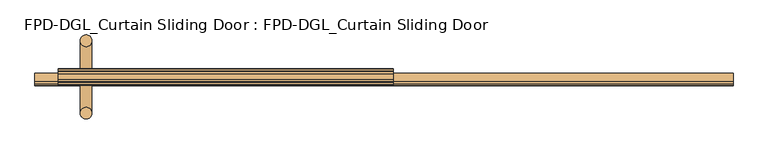
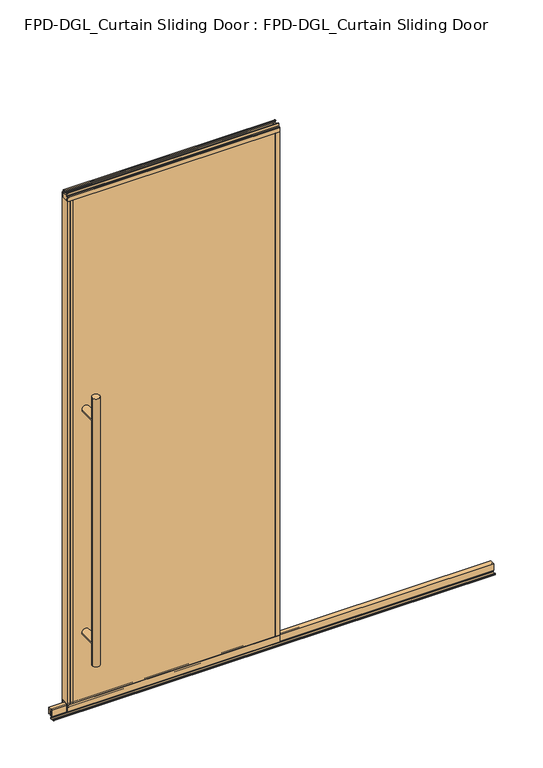
"""IFC4 building model written with IfcOpenShell, lengths in millimetres: door geometry, FPD-DGL_Curtain Sliding Door : FPD-DGL_Curtain Sliding Door."""

import ifcopenshell
import ifcopenshell.guid

model = None  # the IFC model being written
_history = None  # IfcOwnerHistory: only IFC2X3 demands one
_inside = {}  # id of a spatial element -> (the spatial element, [elements in it])
_under = {}  # id of a project, library or spatial element -> (it, [spatial elements below it])
_declared = {}  # id of a project -> (the project, [libraries it declares])
_typed = {}  # id of a type object -> (the type object, [elements of that type])
_made_of = {}  # id of a material, layer set ... -> (it, [elements and type objects made of it])


def new_model(schema):
    """Start an empty IFC model of exactly this schema.

    Asked for "IFC4X3", IfcOpenShell would pick the latest addendum, in which some entities
    have other attributes; the version numbers below select the first issue.
    IFC2X3 requires an IfcOwnerHistory on every rooted entity: one is made here for all.
    """
    global model, _history
    if schema == "IFC4X3":
        model = ifcopenshell.file(schema_version=(4, 3, 0, 0))
    else:
        model = ifcopenshell.file(schema=schema)
    _inside.clear()
    _under.clear()
    _declared.clear()
    _typed.clear()
    _made_of.clear()
    _history = None
    if model.schema == "IFC2X3":
        org = make("IfcOrganization", Name="unknown")
        user = make(
            "IfcPersonAndOrganization",
            ThePerson=make("IfcPerson", FamilyName="unknown"),
            TheOrganization=org,
        )
        app = make(
            "IfcApplication",
            ApplicationDeveloper=org,
            Version="unknown",
            ApplicationFullName="unknown",
            ApplicationIdentifier="unknown",
        )
        _history = make(
            "IfcOwnerHistory",
            OwningUser=user,
            OwningApplication=app,
            ChangeAction="ADDED",
            CreationDate=0,
        )
    return model


def make(cls, **values):
    """One entity of the class cls with the attributes given. An attribute that is None is left unset."""
    return model.create_entity(
        cls, **{name: value for name, value in values.items() if value is not None}
    )


def rooted(cls, **values):
    """An entity with a GlobalId (a new one), such as an element, a storey or a relation."""
    return make(cls, GlobalId=ifcopenshell.guid.new(), OwnerHistory=_history, **values)


def si_unit(unit_type, name, prefix=None):
    """IfcSIUnit, for example si_unit("LENGTHUNIT", "METRE", prefix="MILLI")."""
    return make("IfcSIUnit", UnitType=unit_type, Prefix=prefix, Name=name)


def assignment(units):
    """IfcUnitAssignment: the units of a project."""
    return None if units is None else make("IfcUnitAssignment", Units=units)


def point(xyz):
    """IfcCartesianPoint."""
    return None if xyz is None else make("IfcCartesianPoint", Coordinates=xyz)


def direction(xyz):
    """IfcDirection."""
    return None if xyz is None else make("IfcDirection", DirectionRatios=xyz)


def frame(location, z_axis=None, x_axis=None):
    """IfcAxis2Placement3D, a coordinate frame: its origin and axes. An axis left out is left unset."""
    return make(
        "IfcAxis2Placement3D",
        Location=point(location),
        Axis=direction(z_axis),
        RefDirection=direction(x_axis),
    )


def frame_2d(location, x_axis=None):
    """IfcAxis2Placement2D, a coordinate frame in the plane: its origin and x axis."""
    return make(
        "IfcAxis2Placement2D", Location=point(location), RefDirection=direction(x_axis)
    )


def origin():
    """The frame at (0, 0, 0) with its axes left unset."""
    return frame((0.0, 0.0, 0.0))


def place(relative_to, where):
    """IfcLocalPlacement: puts the frame where relative to a parent placement (None: the world)."""
    return make(
        "IfcLocalPlacement", PlacementRelTo=relative_to, RelativePlacement=where
    )


def context(
    kind, dimensions, precision=None, world=None, true_north=None, identifier=None
):
    """IfcGeometricRepresentationContext, for example the 3D "Model" context."""
    return make(
        "IfcGeometricRepresentationContext",
        ContextIdentifier=identifier,
        ContextType=kind,
        CoordinateSpaceDimension=dimensions,
        Precision=precision,
        WorldCoordinateSystem=world,
        TrueNorth=true_north,
    )


def project(units=None, contexts=None):
    """IfcProject with its units and contexts."""
    return rooted(
        "IfcProject",
        Name="project",
        RepresentationContexts=contexts,
        UnitsInContext=assignment(units),
    )


def spatial(cls, under=None, at=None, **own):
    """A site, building, storey or space (cls), placed at a placement, below another one or the project."""
    s = rooted(cls, ObjectPlacement=at, **own)
    if under is not None:
        _under.setdefault(under.id(), (under, []))[1].append(s)
    return s


def polyline(points):
    """IfcPolyline through the points."""
    return make("IfcPolyline", Points=[point(p) for p in points])


def circle_curve(where, radius):
    """IfcCircle in the frame where."""
    return make("IfcCircle", Position=where, Radius=radius)


def ellipse_curve(where, semi_axis1, semi_axis2):
    """IfcEllipse in the frame where."""
    return make(
        "IfcEllipse", Position=where, SemiAxis1=semi_axis1, SemiAxis2=semi_axis2
    )


def trimmed(basis, trim1, trim2, sense, master):
    """IfcTrimmedCurve: the piece of a basis curve between two trims."""
    return make(
        "IfcTrimmedCurve",
        BasisCurve=basis,
        Trim1=trim1,
        Trim2=trim2,
        SenseAgreement=sense,
        MasterRepresentation=master,
    )


def segment(curve, same_sense, transition):
    """IfcCompositeCurveSegment."""
    return make(
        "IfcCompositeCurveSegment",
        Transition=transition,
        SameSense=same_sense,
        ParentCurve=curve,
    )


def composite_curve(segments, self_intersect=None):
    """IfcCompositeCurve: segments joined end to end."""
    return make("IfcCompositeCurve", Segments=segments, SelfIntersect=self_intersect)


def outline(outer, holes=None, kind="AREA"):
    """IfcArbitraryClosedProfileDef: a profile drawn as a closed curve; with holes, ...WithVoids."""
    if holes is None:
        return make("IfcArbitraryClosedProfileDef", ProfileType=kind, OuterCurve=outer)
    return make(
        "IfcArbitraryProfileDefWithVoids",
        ProfileType=kind,
        OuterCurve=outer,
        InnerCurves=holes,
    )


def extrude(swept, where, along, depth):
    """IfcExtrudedAreaSolid: the profile swept, set in the frame where, extruded along a direction by depth."""
    return make(
        "IfcExtrudedAreaSolid",
        SweptArea=swept,
        Position=where,
        ExtrudedDirection=direction(along),
        Depth=depth,
    )


def shape(context_of_items, identifier, shape_type, items):
    """IfcShapeRepresentation: the items that make up one representation, for example the "Body"."""
    return make(
        "IfcShapeRepresentation",
        ContextOfItems=context_of_items,
        RepresentationIdentifier=identifier,
        RepresentationType=shape_type,
        Items=items,
    )


def source(mapping_origin, context_of_items, identifier, shape_type, items):
    """IfcRepresentationMap: a shape defined once, which mapped items show again and again."""
    return make(
        "IfcRepresentationMap",
        MappingOrigin=mapping_origin,
        MappedRepresentation=shape(context_of_items, identifier, shape_type, items),
    )


def transform(
    local_origin,
    x_axis=None,
    y_axis=None,
    z_axis=None,
    scale=None,
    scale2=None,
    scale3=None,
    uniform=True,
):
    """IfcCartesianTransformationOperator3D, or its non-uniform kind. x_axis, y_axis, z_axis: its Axis1, 2, 3."""
    if uniform:
        return make(
            "IfcCartesianTransformationOperator3D",
            Axis1=direction(x_axis),
            Axis2=direction(y_axis),
            LocalOrigin=point(local_origin),
            Scale=scale,
            Axis3=direction(z_axis),
        )
    return make(
        "IfcCartesianTransformationOperator3DnonUniform",
        Axis1=direction(x_axis),
        Axis2=direction(y_axis),
        LocalOrigin=point(local_origin),
        Scale=scale,
        Axis3=direction(z_axis),
        Scale2=scale2,
        Scale3=scale3,
    )


def mapped(mapping_source, mapping_target):
    """IfcMappedItem: shows the shape of a source again, moved by a transform."""
    return make(
        "IfcMappedItem", MappingSource=mapping_source, MappingTarget=mapping_target
    )


def made_of(thing, what):
    """Note that an element or type object is made of a material, layer set ...; save() writes the relation."""
    if what is not None:
        _made_of.setdefault(what.id(), (what, []))[1].append(thing)
    return thing


def element(
    cls,
    number,
    at=None,
    inside=None,
    cuts=None,
    type_object=None,
    material=None,
    context=None,
    identifier="Body",
    shape_type=None,
    held_by="IfcProductDefinitionShape",
    body=None,
    shapes=None,
    **own,
):
    """One element of the class cls, such as IfcWall. Its Tag is "e" and its number.

    at: its placement. inside: the storey or other place that contains it. cuts: it is an
    opening in that element (IfcRelVoidsElement). A single representation is given by context,
    identifier, shape_type and body (its items); several are given by shapes. held_by: the class
    of the entity that holds the representations. save() writes the other relations.
    """
    e = rooted(cls, Tag="e%d" % number, ObjectPlacement=at, **own)
    if body is not None:
        shapes = [shape(context, identifier, shape_type, body)]
    if shapes is not None:
        e.Representation = make(held_by, Representations=shapes)
    if inside is not None:
        _inside.setdefault(inside.id(), (inside, []))[1].append(e)
    if cuts is not None:
        rooted(
            "IfcRelVoidsElement", RelatingBuildingElement=cuts, RelatedOpeningElement=e
        )
    if type_object is not None:
        _typed.setdefault(type_object.id(), (type_object, []))[1].append(e)
    return made_of(e, material)


def aggregate(whole, parts):
    """IfcRelAggregates: a whole, such as a stair, and the parts it consists of."""
    return rooted("IfcRelAggregates", RelatingObject=whole, RelatedObjects=parts)


def save(model, path):
    """Write the relations noted so far, then the file.

    IfcRelAggregates (storeys below a building ...), IfcRelContainedInSpatialStructure (elements
    in a storey), IfcRelDefinesByType, IfcRelAssociatesMaterial and IfcRelDeclares: one each for
    every whole, place, type object, material and project.
    """
    for whole, parts in _under.values():
        aggregate(whole, parts)
    for where, things in _inside.values():
        rooted(
            "IfcRelContainedInSpatialStructure",
            RelatedElements=things,
            RelatingStructure=where,
        )
    for kind, things in _typed.values():
        rooted("IfcRelDefinesByType", RelatedObjects=things, RelatingType=kind)
    for what, things in _made_of.values():
        rooted("IfcRelAssociatesMaterial", RelatedObjects=things, RelatingMaterial=what)
    for by, libraries in _declared.values():
        rooted("IfcRelDeclares", RelatingContext=by, RelatedDefinitions=libraries)
    model.write(path)


def plane_surface(at):
    """IfcPlane: the flat surface through the origin of the frame at, square to its z axis."""
    return make("IfcPlane", Position=at)


def cylinder_surface(at, radius):
    """IfcCylindricalSurface: all points at the distance radius from the z axis of the frame at."""
    return make("IfcCylindricalSurface", Position=at, Radius=radius)


def advanced_brep(points, edges, surfaces, faces):
    """IfcAdvancedBrep: a solid bounded by faces that lie on surfaces and meet in shared edges.

    An edge is (start, end): straight between two places in points (the first is 0);
    or (start, end, curve); or (start, end, curve, False) where it runs against its curve.
    A face is (place in surfaces, loops), or (place, loops, False) where it looks against
    its surface's normal. A loop lists edges by number (the first is 1), with a minus sign
    where the edge is run from its end to its start. The first loop is the outer one.
    """
    corners = [point(p) for p in points]
    vertices = [make("IfcVertexPoint", VertexGeometry=c) for c in corners]
    made = []
    for start, end, *more in edges:
        made.append(
            make(
                "IfcEdgeCurve",
                EdgeStart=vertices[start],
                EdgeEnd=vertices[end],
                EdgeGeometry=more[0] if more else make("IfcPolyline", Points=[corners[start], corners[end]]),
                SameSense=more[1] if len(more) > 1 else True,
            )
        )
    hull = []
    for where, loops, *sense in faces:
        bounds = []
        for j, loop in enumerate(loops):
            ring = [make("IfcOrientedEdge", EdgeElement=made[abs(k) - 1], Orientation=k > 0) for k in loop]
            bounds.append(
                make(
                    "IfcFaceOuterBound" if j == 0 else "IfcFaceBound",
                    Bound=make("IfcEdgeLoop", EdgeList=ring),
                    Orientation=True,
                )
            )
        hull.append(make("IfcAdvancedFace", Bounds=bounds, FaceSurface=surfaces[where], SameSense=sense[0] if sense else True))
    return make("IfcAdvancedBrep", Outer=make("IfcClosedShell", CfsFaces=hull))


def fpd_dgl_curtain_sliding_door_fpd_dgl_curtain_sliding_door_362d67b7(model_context):
    return source(origin(), model_context, "Body", "SolidModel", [
        advanced_brep(
        [(-364.33125, -35.128049, 1473.2), (-396.08125, -35.128049, 1473.2), (-364.33125, 162.0969566, 1473.2), (-396.08125, 162.0969566, 1473.2), (-364.33125, -35.128049, 254.0), (-396.08125, -35.128049, 254.0), (-364.33125, 162.0969566, 254.0), (-396.08125, 162.0969566, 254.0), (-364.33125, -35.128049, 1371.6), (-396.08125, -35.128049, 1371.6), (-396.08125, -35.128049, 355.6), (-364.33125, -35.128049, 355.6), (-364.33125, 162.0969566, 1371.6), (-364.33125, 162.0969566, 355.6), (-396.08125, 162.0969566, 355.6), (-396.08125, 162.0969566, 1371.6)],
        [
            (0, 1, circle_curve(frame((-380.20625, -35.128049, 1473.2), z_axis=(0.0, 0.0, 1.0), x_axis=(-1.0, 0.0, 0.0)), 15.875)),
            (1, 0, circle_curve(frame((-380.20625, -35.128049, 1473.2), z_axis=(0.0, 0.0, 1.0), x_axis=(-1.0, 0.0, 0.0)), 15.875)),
            (2, 3, circle_curve(frame((-380.20625, 162.0969566, 1473.2), z_axis=(0.0, 0.0, 1.0), x_axis=(-1.0, 0.0, 0.0)), 15.875)),
            (3, 2, circle_curve(frame((-380.20625, 162.0969566, 1473.2), z_axis=(0.0, 0.0, 1.0), x_axis=(-1.0, 0.0, 0.0)), 15.875)),
            (4, 5, circle_curve(frame((-380.20625, -35.128049, 254.0), z_axis=(0.0, 0.0, -1.0), x_axis=(-1.0, 0.0, 0.0)), 15.875)),
            (5, 4, circle_curve(frame((-380.20625, -35.128049, 254.0), z_axis=(0.0, 0.0, -1.0), x_axis=(-1.0, 0.0, 0.0)), 15.875)),
            (6, 7, circle_curve(frame((-380.20625, 162.0969566, 254.0), z_axis=(0.0, 0.0, -1.0), x_axis=(-1.0, 0.0, 0.0)), 15.875)),
            (7, 6, circle_curve(frame((-380.20625, 162.0969566, 254.0), z_axis=(0.0, 0.0, -1.0), x_axis=(-1.0, 0.0, 0.0)), 15.875)),
            (0, 8),
            (8, 9, ellipse_curve(frame((-380.20625, -35.128049, 1371.6), z_axis=(0.0, -0.7071067811865525, 0.7071067811865427), x_axis=(0.0, 0.7071067811865427, 0.7071067811865523)), 22.4506403, 15.875)),
            (9, 1),
            (5, 10),
            (10, 11, ellipse_curve(frame((-380.20625, -35.128049, 355.6), z_axis=(0.0, -0.7071067811865525, -0.7071067811865427), x_axis=(0.0, -0.7071067811865427, 0.7071067811865523)), 22.4506403, 15.875)),
            (11, 4),
            (8, 11),
            (11, 10, ellipse_curve(frame((-380.20625, -35.128049, 355.6), z_axis=(0.0, -0.7071067811865427, 0.7071067811865525), x_axis=(0.0, 0.7071067811865525, 0.7071067811865425)), 22.4506403, 15.875)),
            (10, 9),
            (9, 8, ellipse_curve(frame((-380.20625, -35.128049, 1371.6), z_axis=(0.0, -0.7071067811865427, -0.7071067811865525), x_axis=(0.0, -0.7071067811865525, 0.7071067811865425)), 22.4506403, 15.875)),
            (2, 12),
            (12, 13),
            (13, 6),
            (7, 14),
            (14, 15),
            (15, 3),
            (15, 12, ellipse_curve(frame((-380.20625, 162.0969566, 1371.6), z_axis=(0.0, 0.7071067811865427, 0.7071067811865525), x_axis=(0.0, -0.7071067811865525, 0.7071067811865425)), 22.4506403, 15.875)),
            (13, 14, ellipse_curve(frame((-380.20625, 162.0969566, 355.6), z_axis=(0.0, 0.7071067811865427, -0.7071067811865525), x_axis=(0.0, 0.7071067811865525, 0.7071067811865425)), 22.4506403, 15.875)),
            (12, 15, ellipse_curve(frame((-380.20625, 162.0969566, 1371.6), z_axis=(0.0, 0.7071067811865525, -0.7071067811865427), x_axis=(0.0, 0.7071067811865427, 0.7071067811865523)), 22.4506403, 15.875)),
            (14, 13, ellipse_curve(frame((-380.20625, 162.0969566, 355.6), z_axis=(0.0, 0.7071067811865525, 0.7071067811865427), x_axis=(0.0, -0.7071067811865427, 0.7071067811865523)), 22.4506403, 15.875)),
            (9, 15),
            (12, 8),
            (10, 14),
            (13, 11),
        ],
        [
            plane_surface(frame((-281.0988493, 63.5, 1473.2), z_axis=(0.0, 0.0, 1.0), x_axis=(0.0, -1.0, 0.0))),
            plane_surface(frame((-281.0988493, 63.5, 254.0), z_axis=(0.0, 0.0, -1.0), x_axis=(0.0, -1.0, 0.0))),
            cylinder_surface(frame((-380.20625, -35.128049, 1473.2), z_axis=(0.0, 0.0, 1.0), x_axis=(-1.0, 0.0, 0.0)), 15.875),
            cylinder_surface(frame((-380.20625, 162.0969566, 1473.2), z_axis=(0.0, 0.0, 1.0), x_axis=(-1.0, 0.0, 0.0)), 15.875),
            cylinder_surface(frame((-380.20625, 162.0969566, 1371.6), z_axis=(0.0, -1.0, 0.0), x_axis=(1.0, 0.0, 0.0)), 15.875),
            cylinder_surface(frame((-380.20625, 63.5, 355.6), z_axis=(0.0, -1.0, 0.0), x_axis=(1.0, 0.0, 0.0)), 15.875),
        ],
        [
            (0, [[1, 2]]),
            (0, [[3, 4]]),
            (1, [[5, 6]]),
            (1, [[7, 8]]),
            (2, [[-1, 9, 10, 11]]),
            (2, [[-6, 12, 13, 14]]),
            (2, [[15, 16, 17, 18]]),
            (2, [[-2, -11, -17, -12, -5, -14, -15, -9]]),
            (3, [[-3, 19, 20, 21, -8, 22, 23, 24]]),
            (3, [[-4, -24, 25, -19]]),
            (3, [[-7, -21, 26, -22]]),
            (3, [[-20, 27, -23, 28]]),
            (4, [[29, -27, 30, -18]]),
            (4, [[-29, -10, -30, -25]]),
            (5, [[31, -26, 32, -13]]),
            (5, [[-31, -16, -32, -28]]),
        ],
    ),
        extrude(outline(composite_curve([segment(trimmed(circle_curve(frame_2d((58.5185794, 1.1714386)), 1.1684), [point((59.6869794, 1.1714386))], [point((58.5185794, 0.0030387))], False, "CARTESIAN"), True, "CONTINUOUS"), segment(polyline([(58.5185794, 0.0030387), (40.8401797, 0.0030387)]), True, "CONTINUOUS"), segment(trimmed(circle_curve(frame_2d((40.8401797, 1.1714386)), 1.1684), [point((40.8401797, 0.0030387))], [point((39.6717797, 1.1714386))], False, "CARTESIAN"), True, "CONTINUOUS"), segment(polyline([(39.6717797, 1.1714386), (39.6717797, 4.0416386)]), True, "CONTINUOUS"), segment(trimmed(circle_curve(frame_2d((40.8401797, 4.0416386)), 1.1684), [point((39.6717797, 4.0416386))], [point((40.8401797, 5.2100386))], False, "CARTESIAN"), True, "CONTINUOUS"), segment(polyline([(40.8401797, 5.2100386), (43.4288569, 5.2100386), (43.4288569, 4.4232339), (40.4337797, 4.4232339), (40.4337797, 0.7650387), (58.9122794, 0.7650387), (58.9122794, 4.3138948), (56.2262294, 4.3138948), (56.2262294, 5.1338386), (58.9336188, 5.1338386)]), True, "CONTINUOUS"), segment(trimmed(circle_curve(frame_2d((58.5185794, 4.0416386)), 1.1684), [point((58.9336188, 5.1338386))], [point((59.6869794, 4.0416386))], False, "CARTESIAN"), True, "CONTINUOUS"), segment(polyline([(59.6869794, 4.0416386), (59.6869794, 1.1714386)]), True, "CONTINUOUS")], self_intersect=False)), frame((-519.90625, 0.0, 0.0), z_axis=(1.0, 0.0, 0.0), x_axis=(0.0, 1.0, 0.0)), (0.0, 0.0, 1.0), 1903.4125),
        extrude(outline(composite_curve([segment(polyline([(74.4646139, 41.6030387), (74.4646139, 11.6839647), (73.4646139, 11.6839647), (73.4646139, 33.5017657), (72.0747815, 33.5017657), (72.0747815, 34.3040626), (73.4646139, 34.3040626), (73.4646139, 35.6040627), (62.6646138, 35.6040627), (62.6646138, 34.3040626), (64.0544462, 34.3040626), (64.0544462, 33.5017657), (62.6646138, 33.5017657), (62.6646138, 11.6839647), (61.0646135, 11.6839647), (61.0646135, 39.1243868)]), True, "CONTINUOUS"), segment(trimmed(circle_curve(frame_2d((60.0857402, 39.1243868)), 0.9788733), [point((61.0646135, 39.1243868))], [point((60.0857402, 40.1032601))], True, "CARTESIAN"), True, "CONTINUOUS"), segment(polyline([(60.0857402, 40.1032601), (54.9969627, 40.1032601)]), True, "CONTINUOUS"), segment(trimmed(circle_curve(frame_2d((54.9969627, 39.1709995)), 0.9322606), [point((54.9969627, 40.1032601))], [point((54.064702, 39.1709995))], True, "CARTESIAN"), True, "CONTINUOUS"), segment(polyline([(54.064702, 39.1709995), (54.064702, 11.6839647), (52.5646141, 11.6839647), (52.5646141, 41.6030387), (74.4646139, 41.6030387)]), True, "CONTINUOUS")], self_intersect=False)), frame((-519.90625, 0.0, 0.0), z_axis=(1.0, 0.0, 0.0), x_axis=(0.0, 1.0, 0.0)), (0.0, 0.0, 1.0), 1903.4125),
        extrude(outline(composite_curve([segment(polyline([(49.1758097, 48.6471016), (77.8241903, 48.6471016), (77.8241903, 47.6299627), (76.4571771, 47.6299627), (76.4571771, 41.3613764)]), True, "CONTINUOUS"), segment(trimmed(circle_curve(frame_2d((78.772652, 41.3613764)), 2.3154748), [point((76.4571771, 41.3613764))], [point((78.772652, 39.0459016))], True, "CARTESIAN"), True, "CONTINUOUS"), segment(polyline([(78.772652, 39.0459016), (83.7603754, 39.0522555)]), True, "CONTINUOUS"), segment(trimmed(circle_curve(frame_2d((83.662177, 39.8079016)), 0.762), [point((83.7603754, 39.0522555))], [point((84.424177, 39.8079016))], True, "CARTESIAN"), True, "CONTINUOUS"), segment(polyline([(84.424177, 39.8079016), (84.424177, 48.6471016), (85.7241745, 48.6471016), (85.7241745, 19.0059017), (76.6027622, 19.0059017), (76.6027622, 15.875), (74.6984721, 15.875), (74.6984721, 47.0470737), (52.3015279, 47.0470737), (52.3015279, 15.875), (50.3972378, 15.875), (50.3972378, 19.0059017), (41.2758255, 19.0059017), (41.2758255, 48.6471016), (42.575823, 48.6471016), (42.575823, 39.8079016)]), True, "CONTINUOUS"), segment(trimmed(circle_curve(frame_2d((43.337823, 39.8079016)), 0.762), [point((42.575823, 39.8079016))], [point((43.2396246, 39.0522555))], True, "CARTESIAN"), True, "CONTINUOUS"), segment(polyline([(43.2396246, 39.0522555), (48.227348, 39.0459016)]), True, "CONTINUOUS"), segment(trimmed(circle_curve(frame_2d((48.227348, 41.3613764)), 2.3154748), [point((48.227348, 39.0459016))], [point((50.5428229, 41.3613764))], True, "CARTESIAN"), True, "CONTINUOUS"), segment(polyline([(50.5428229, 41.3613764), (50.5428229, 47.6299627), (49.1758097, 47.6299627), (49.1758097, 48.6471016)]), True, "CONTINUOUS")], self_intersect=False)), frame((-456.40625, 0.0, 0.0), z_axis=(1.0, 0.0, 0.0), x_axis=(0.0, 1.0, 0.0)), (0.0, 0.0, 1.0), 912.8125),
        extrude(outline(composite_curve([segment(polyline([(55.1000175, 2373.482105), (55.1000175, 2371.482109), (51.5000248, 2371.482109), (51.5000248, 2362.982126)]), True, "CONTINUOUS"), segment(trimmed(circle_curve(frame_2d((52.0000238, 2362.982126)), 0.499999), [point((51.5000248, 2362.982126))], [point((52.0000238, 2362.482127))], True, "CARTESIAN"), True, "CONTINUOUS"), segment(polyline([(52.0000238, 2362.482127), (74.9999762, 2362.482127)]), True, "CONTINUOUS"), segment(trimmed(circle_curve(frame_2d((74.9999762, 2362.982126)), 0.499999), [point((74.9999762, 2362.482127))], [point((75.4999752, 2362.982126))], True, "CARTESIAN"), True, "CONTINUOUS"), segment(polyline([(75.4999752, 2362.982126), (75.4999752, 2371.482109), (71.8999825, 2371.482109), (71.8999825, 2373.482105), (76.9046588, 2373.482105)]), True, "CONTINUOUS"), segment(trimmed(circle_curve(frame_2d((76.9046588, 2372.8867925)), 0.5953125), [point((76.9046588, 2373.482105))], [point((77.4999713, 2372.8867925))], False, "CARTESIAN"), True, "CONTINUOUS"), segment(polyline([(77.4999713, 2372.8867925), (77.4999713, 2361.5187908)]), True, "CONTINUOUS"), segment(trimmed(circle_curve(frame_2d((79.4190752, 2361.5187908)), 1.919104), [point((77.4999713, 2361.5187908))], [point((79.4190752, 2359.5996869))], True, "CARTESIAN"), True, "CONTINUOUS"), segment(polyline([(79.4190752, 2359.5996869), (84.9249567, 2359.5996869)]), True, "CONTINUOUS"), segment(trimmed(circle_curve(frame_2d((84.9249567, 2358.7996885)), 0.7999984), [point((84.9249567, 2359.5996869))], [point((85.7249551, 2358.7996885))], False, "CARTESIAN"), True, "CONTINUOUS"), segment(polyline([(85.7249551, 2358.7996885), (85.7249551, 2339.914687), (84.4249577, 2339.914687), (84.4249577, 2350.014667)]), True, "CONTINUOUS"), segment(trimmed(circle_curve(frame_2d((83.9249587, 2350.014667)), 0.499999), [point((84.4249577, 2350.014667))], [point((83.9249587, 2350.514666))], True, "CARTESIAN"), True, "CONTINUOUS"), segment(polyline([(83.9249587, 2350.514666), (77.8249714, 2350.514666), (77.8249714, 2339.914687), (49.1750289, 2339.914687), (49.1750289, 2350.514666), (43.0750413, 2350.514666)]), True, "CONTINUOUS"), segment(trimmed(circle_curve(frame_2d((43.0750413, 2350.014667)), 0.499999), [point((43.0750413, 2350.514666))], [point((42.5750423, 2350.014667))], True, "CARTESIAN"), True, "CONTINUOUS"), segment(polyline([(42.5750423, 2350.014667), (42.5750423, 2339.914687), (41.2750446, 2339.914687), (41.2750446, 2358.7996885)]), True, "CONTINUOUS"), segment(trimmed(circle_curve(frame_2d((42.0750432, 2358.7996885)), 0.7999985), [point((41.2750446, 2358.7996885))], [point((42.0750432, 2359.599687))], False, "CARTESIAN"), True, "CONTINUOUS"), segment(polyline([(42.0750432, 2359.599687), (47.5809248, 2359.599687)]), True, "CONTINUOUS"), segment(trimmed(circle_curve(frame_2d((47.5809248, 2361.518791)), 1.919104), [point((47.5809248, 2359.599687))], [point((49.5000287, 2361.518791))], True, "CARTESIAN"), True, "CONTINUOUS"), segment(polyline([(49.5000287, 2361.518791), (49.5000287, 2372.8867925)]), True, "CONTINUOUS"), segment(trimmed(circle_curve(frame_2d((50.0953412, 2372.8867925)), 0.5953125), [point((49.5000287, 2372.8867925))], [point((50.0953412, 2373.482105))], False, "CARTESIAN"), True, "CONTINUOUS"), segment(polyline([(50.0953412, 2373.482105), (55.1000175, 2373.482105)]), True, "CONTINUOUS")], self_intersect=False)), frame((-456.40625, 0.0, 0.0), z_axis=(1.0, 0.0, 0.0), x_axis=(0.0, 1.0, 0.0)), (0.0, 0.0, 1.0), 912.8125),
        extrude(outline(polyline([(446.4694011, 84.4265993), (446.4694011, 77.825), (-446.4694011, 77.825), (-446.4694011, 84.4265993), (446.4694011, 84.4265993)])), frame((0.0, 0.0, 39.1580021), z_axis=(0.0, 0.0, 1.0), x_axis=(1.0, 0.0, 0.0)), (0.0, 0.0, 1.0), 2311.0901216),
        extrude(outline(polyline([(-446.4694011, 49.175), (446.4694011, 49.175), (446.4694011, 42.5734007), (-446.4694011, 42.5734007), (-446.4694011, 49.175)])), frame((0.0, 0.0, 39.1580021), z_axis=(0.0, 0.0, 1.0), x_axis=(1.0, 0.0, 0.0)), (0.0, 0.0, 1.0), 2311.0901216),
        extrude(outline(composite_curve([segment(polyline([(-456.40625, 85.725), (-435.8694011, 85.725), (-435.8694011, 84.4265993), (-445.9614011, 84.4265993)]), True, "CONTINUOUS"), segment(trimmed(circle_curve(frame_2d((-445.9614011, 83.9185993)), 0.508), [point((-445.9614011, 84.4265993))], [point((-446.4694011, 83.9185993))], True, "CARTESIAN"), True, "CONTINUOUS"), segment(polyline([(-446.4694011, 83.9185993), (-446.4694011, 81.9404), (-447.6694009, 81.9404), (-447.6694009, 84.4202), (-454.6028499, 84.4202), (-454.6028499, 72.745198), (-447.6694009, 72.745198), (-447.6694009, 77.825), (-435.8694011, 77.825), (-435.8694011, 49.175), (-447.6694009, 49.175), (-447.6694009, 54.254802), (-454.6028499, 54.254802), (-454.6028499, 42.5798), (-447.6694009, 42.5798), (-447.6694009, 45.0596), (-446.4694011, 45.0596), (-446.4694011, 43.1025937)]), True, "CONTINUOUS"), segment(trimmed(circle_curve(frame_2d((-445.9402074, 43.1025937)), 0.5291937), [point((-446.4694011, 43.1025937))], [point((-445.9402074, 42.5734))], True, "CARTESIAN"), True, "CONTINUOUS"), segment(polyline([(-445.9402074, 42.5734), (-435.8694011, 42.5734), (-435.8694011, 41.275), (-456.40625, 41.275), (-456.40625, 85.725)]), True, "CONTINUOUS")], self_intersect=False)), frame((0.0, 0.0, 48.6471016), z_axis=(0.0, 0.0, 1.0), x_axis=(1.0, 0.0, 0.0)), (0.0, 0.0, 1.0), 2291.2675854),
        extrude(outline(composite_curve([segment(polyline([(456.40625, 85.725), (456.40625, 41.275), (435.869401, 41.275), (435.869401, 42.5734), (445.9402074, 42.5734)]), True, "CONTINUOUS"), segment(trimmed(circle_curve(frame_2d((445.9402074, 43.1025937)), 0.5291937), [point((445.9402074, 42.5734))], [point((446.4694011, 43.1025937))], True, "CARTESIAN"), True, "CONTINUOUS"), segment(polyline([(446.4694011, 43.1025937), (446.4694011, 45.0596), (447.6694009, 45.0596), (447.6694009, 42.5798), (454.6028499, 42.5798), (454.6028499, 54.254802), (447.6694009, 54.254802), (447.6694009, 49.175), (435.8694011, 49.175), (435.8694011, 77.825), (447.6694009, 77.825), (447.6694009, 72.745198), (454.6028499, 72.745198), (454.6028499, 84.4202), (447.6694009, 84.4202), (447.6694009, 81.9404), (446.4694011, 81.9404), (446.4694011, 83.9185993)]), True, "CONTINUOUS"), segment(trimmed(circle_curve(frame_2d((445.9614011, 83.9185993)), 0.508), [point((446.4694011, 83.9185993))], [point((445.9614011, 84.4265993))], True, "CARTESIAN"), True, "CONTINUOUS"), segment(polyline([(445.9614011, 84.4265993), (435.8694011, 84.4265993), (435.8694011, 85.725), (456.40625, 85.725)]), True, "CONTINUOUS")], self_intersect=False)), frame((0.0, 0.0, 48.6471016), z_axis=(0.0, 0.0, 1.0), x_axis=(1.0, 0.0, 0.0)), (0.0, 0.0, 1.0), 2291.2675854),
    ])


if __name__ == "__main__":
    model = new_model("IFC4")
    model_context = context("Model", 3, world=origin())
    ifc_project = project(units=[si_unit("LENGTHUNIT", "METRE", prefix="MILLI")], contexts=[model_context])
    site = spatial("IfcSite", under=ifc_project)
    building = spatial("IfcBuilding", under=site)
    placement = place(None, origin())
    fpd_dgl_curtain_sliding_door_fpd_dgl_curtain_sliding_door_shape = fpd_dgl_curtain_sliding_door_fpd_dgl_curtain_sliding_door_362d67b7(model_context)
    element("IfcDoor", 1, ObjectType="FPD-DGL_Curtain Sliding Door : FPD-DGL_Curtain Sliding Door", at=placement, inside=building, context=model_context, shape_type="MappedRepresentation", body=[
        mapped(fpd_dgl_curtain_sliding_door_fpd_dgl_curtain_sliding_door_shape, transform((0.0, 0.0, 0.0), x_axis=(1.0, 0.0, 0.0), y_axis=(0.0, 1.0, 0.0), z_axis=(0.0, 0.0, 1.0))),
    ])
    save(model, "model.ifc")
